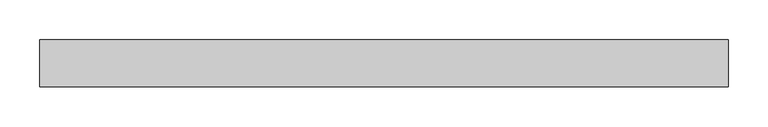
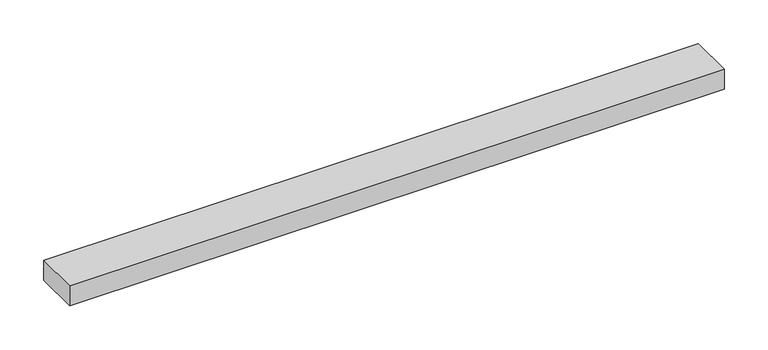
"""IFC4 building model written with IfcOpenShell, lengths in millimetres: proxy geometry."""

from ifc_helpers import new_model, si_unit, frame, origin, place, context, project, spatial, polyline, outline, extrude, source, transform, mapped, element, save


def specialty_equipment_d798ecc7(model_context):
    return source(origin(), model_context, "Body", "SweptSolid", [
        extrude(outline(polyline([(-430.7105122, 29.2199219), (430.7105122, 29.2199219), (430.7105122, -29.2199219), (-430.7105122, -29.2199219), (-430.7105122, 29.2199219)])), frame((0.0, 0.0, -13.9898438), z_axis=(0.0, 0.0, 1.0), x_axis=(1.0, 0.0, 0.0)), (0.0, 0.0, 1.0), 27.9796875),
    ])


if __name__ == "__main__":
    model = new_model("IFC4")
    model_context = context("Model", 3, world=origin())
    ifc_project = project(units=[si_unit("LENGTHUNIT", "METRE", prefix="MILLI")], contexts=[model_context])
    site = spatial("IfcSite", under=ifc_project)
    building = spatial("IfcBuilding", under=site)
    placement = place(None, origin())
    specialty_equipment_shape = specialty_equipment_d798ecc7(model_context)
    element("IfcBuildingElementProxy", 1, Name="Specialty Equipment", at=placement, inside=building, context=model_context, shape_type="MappedRepresentation", body=[
        mapped(specialty_equipment_shape, transform((0.0, 0.0, 0.0), x_axis=(1.0, 0.0, 0.0), y_axis=(0.0, 1.0, 0.0), z_axis=(0.0, 0.0, 1.0))),
    ])
    save(model, "model.ifc")
